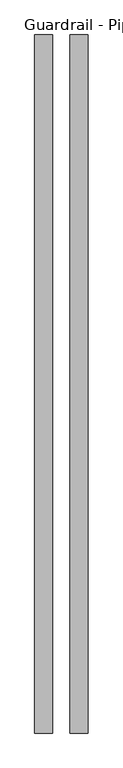
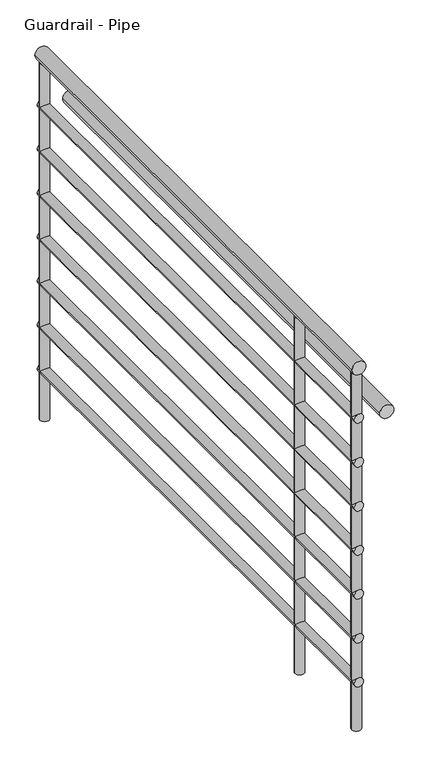
"""IFC4 building model written with IfcOpenShell, lengths in millimetres: railing geometry, Guardrail - Pipe."""

from ifc_helpers import new_model, si_unit, point, frame, frame_2d, origin, origin_with_axes, place, context, project, spatial, circle_curve, trimmed, segment, composite_curve, outline, extrude, source, transform, mapped, element, save


def guardrail_pipe_f1527d36(model_context):
    return source(origin(), model_context, "Body", "SweptSolid", [
        extrude(outline(composite_curve([segment(trimmed(circle_curve(frame_2d((1047.75, -3808.7965986)), 19.05), [point((1047.75, -3789.7465986))], [point((1047.75, -3827.8465986))], False, "CARTESIAN"), True, "CONTINUOUS"), segment(trimmed(circle_curve(frame_2d((1047.75, -3808.7965986)), 19.05), [point((1047.75, -3827.8465986))], [point((1047.75, -3789.7465986))], False, "CARTESIAN"), True, "CONTINUOUS")], self_intersect=False)), frame((0.0, 7517.2058469, 0.0), z_axis=(0.0, 1.0, 0.0), x_axis=(0.0, 0.0, 1.0)), (0.0, 0.0, 1.0), 1500.0),
        extrude(outline(composite_curve([segment(trimmed(circle_curve(frame_2d((901.7, -3808.7965986)), 12.7), [point((901.7, -3796.0965986))], [point((901.7, -3821.4965986))], False, "CARTESIAN"), True, "CONTINUOUS"), segment(trimmed(circle_curve(frame_2d((901.7, -3808.7965986)), 12.7), [point((901.7, -3821.4965986))], [point((901.7, -3796.0965986))], False, "CARTESIAN"), True, "CONTINUOUS")], self_intersect=False)), frame((0.0, 7517.2058469, 0.0), z_axis=(0.0, 1.0, 0.0), x_axis=(0.0, 0.0, 1.0)), (0.0, 0.0, 1.0), 1500.0),
        extrude(outline(composite_curve([segment(trimmed(circle_curve(frame_2d((895.35, -3732.5965986)), 19.05), [point((895.35, -3713.5465986))], [point((895.35, -3751.6465986))], False, "CARTESIAN"), True, "CONTINUOUS"), segment(trimmed(circle_curve(frame_2d((895.35, -3732.5965986)), 19.05), [point((895.35, -3751.6465986))], [point((895.35, -3713.5465986))], False, "CARTESIAN"), True, "CONTINUOUS")], self_intersect=False)), frame((0.0, 7517.2058469, 0.0), z_axis=(0.0, 1.0, 0.0), x_axis=(0.0, 0.0, 1.0)), (0.0, 0.0, 1.0), 1500.0),
        extrude(outline(composite_curve([segment(trimmed(circle_curve(frame_2d((774.7, -3808.7965986)), 12.7), [point((774.7, -3796.0965986))], [point((774.7, -3821.4965986))], False, "CARTESIAN"), True, "CONTINUOUS"), segment(trimmed(circle_curve(frame_2d((774.7, -3808.7965986)), 12.7), [point((774.7, -3821.4965986))], [point((774.7, -3796.0965986))], False, "CARTESIAN"), True, "CONTINUOUS")], self_intersect=False)), frame((0.0, 7517.2058469, 0.0), z_axis=(0.0, 1.0, 0.0), x_axis=(0.0, 0.0, 1.0)), (0.0, 0.0, 1.0), 1500.0),
        extrude(outline(composite_curve([segment(trimmed(circle_curve(frame_2d((647.7, -3808.7965986)), 12.7), [point((647.7, -3796.0965986))], [point((647.7, -3821.4965986))], False, "CARTESIAN"), True, "CONTINUOUS"), segment(trimmed(circle_curve(frame_2d((647.7, -3808.7965986)), 12.7), [point((647.7, -3821.4965986))], [point((647.7, -3796.0965986))], False, "CARTESIAN"), True, "CONTINUOUS")], self_intersect=False)), frame((0.0, 7517.2058469, 0.0), z_axis=(0.0, 1.0, 0.0), x_axis=(0.0, 0.0, 1.0)), (0.0, 0.0, 1.0), 1500.0),
        extrude(outline(composite_curve([segment(trimmed(circle_curve(frame_2d((520.7, -3808.7965986)), 12.7), [point((520.7, -3796.0965986))], [point((520.7, -3821.4965986))], False, "CARTESIAN"), True, "CONTINUOUS"), segment(trimmed(circle_curve(frame_2d((520.7, -3808.7965986)), 12.7), [point((520.7, -3821.4965986))], [point((520.7, -3796.0965986))], False, "CARTESIAN"), True, "CONTINUOUS")], self_intersect=False)), frame((0.0, 7517.2058469, 0.0), z_axis=(0.0, 1.0, 0.0), x_axis=(0.0, 0.0, 1.0)), (0.0, 0.0, 1.0), 1500.0),
        extrude(outline(composite_curve([segment(trimmed(circle_curve(frame_2d((393.7, -3808.7965986)), 12.7), [point((393.7, -3796.0965986))], [point((393.7, -3821.4965986))], False, "CARTESIAN"), True, "CONTINUOUS"), segment(trimmed(circle_curve(frame_2d((393.7, -3808.7965986)), 12.7), [point((393.7, -3821.4965986))], [point((393.7, -3796.0965986))], False, "CARTESIAN"), True, "CONTINUOUS")], self_intersect=False)), frame((0.0, 7517.2058469, 0.0), z_axis=(0.0, 1.0, 0.0), x_axis=(0.0, 0.0, 1.0)), (0.0, 0.0, 1.0), 1500.0),
        extrude(outline(composite_curve([segment(trimmed(circle_curve(frame_2d((266.7, -3808.7965986)), 12.7), [point((266.7, -3796.0965986))], [point((266.7, -3821.4965986))], False, "CARTESIAN"), True, "CONTINUOUS"), segment(trimmed(circle_curve(frame_2d((266.7, -3808.7965986)), 12.7), [point((266.7, -3821.4965986))], [point((266.7, -3796.0965986))], False, "CARTESIAN"), True, "CONTINUOUS")], self_intersect=False)), frame((0.0, 7517.2058469, 0.0), z_axis=(0.0, 1.0, 0.0), x_axis=(0.0, 0.0, 1.0)), (0.0, 0.0, 1.0), 1500.0),
        extrude(outline(composite_curve([segment(trimmed(circle_curve(frame_2d((139.7, -3808.7965986)), 12.7), [point((139.7, -3796.0965986))], [point((139.7, -3821.4965986))], False, "CARTESIAN"), True, "CONTINUOUS"), segment(trimmed(circle_curve(frame_2d((139.7, -3808.7965986)), 12.7), [point((139.7, -3821.4965986))], [point((139.7, -3796.0965986))], False, "CARTESIAN"), True, "CONTINUOUS")], self_intersect=False)), frame((0.0, 7517.2058469, 0.0), z_axis=(0.0, 1.0, 0.0), x_axis=(0.0, 0.0, 1.0)), (0.0, 0.0, 1.0), 1500.0),
        extrude(outline(composite_curve([segment(trimmed(circle_curve(frame_2d((-3808.7965986, 7798.0058469)), 12.7), [point((-3796.0965986, 7798.0058469))], [point((-3821.4965986, 7798.0058469))], False, "CARTESIAN"), True, "CONTINUOUS"), segment(trimmed(circle_curve(frame_2d((-3808.7965986, 7798.0058469)), 12.7), [point((-3821.4965986, 7798.0058469))], [point((-3796.0965986, 7798.0058469))], False, "CARTESIAN"), True, "CONTINUOUS")], self_intersect=False)), origin_with_axes(), (0.0, 0.0, 1.0), 1028.7),
        extrude(outline(composite_curve([segment(trimmed(circle_curve(frame_2d((-3808.7965986, 7529.9058469)), 12.7), [point((-3796.0965986, 7529.9058469))], [point((-3821.4965986, 7529.9058469))], False, "CARTESIAN"), True, "CONTINUOUS"), segment(trimmed(circle_curve(frame_2d((-3808.7965986, 7529.9058469)), 12.7), [point((-3821.4965986, 7529.9058469))], [point((-3796.0965986, 7529.9058469))], False, "CARTESIAN"), True, "CONTINUOUS")], self_intersect=False)), origin_with_axes(), (0.0, 0.0, 1.0), 1028.7),
        extrude(outline(composite_curve([segment(trimmed(circle_curve(frame_2d((-3808.7965986, 9004.5058469)), 12.7), [point((-3796.0965986, 9004.5058469))], [point((-3821.4965986, 9004.5058469))], False, "CARTESIAN"), True, "CONTINUOUS"), segment(trimmed(circle_curve(frame_2d((-3808.7965986, 9004.5058469)), 12.7), [point((-3821.4965986, 9004.5058469))], [point((-3796.0965986, 9004.5058469))], False, "CARTESIAN"), True, "CONTINUOUS")], self_intersect=False)), origin_with_axes(), (0.0, 0.0, 1.0), 1028.7),
    ])


if __name__ == "__main__":
    model = new_model("IFC4")
    model_context = context("Model", 3, world=origin())
    ifc_project = project(units=[si_unit("LENGTHUNIT", "METRE", prefix="MILLI")], contexts=[model_context])
    site = spatial("IfcSite", under=ifc_project)
    building = spatial("IfcBuilding", under=site)
    placement = place(None, origin())
    guardrail_pipe_shape = guardrail_pipe_f1527d36(model_context)
    element("IfcRailing", 1, ObjectType="Guardrail - Pipe", at=placement, inside=building, context=model_context, shape_type="MappedRepresentation", body=[
        mapped(guardrail_pipe_shape, transform((0.0, 0.0, 0.0), x_axis=(1.0, 0.0, 0.0), y_axis=(0.0, 1.0, 0.0), z_axis=(0.0, 0.0, 1.0))),
    ])
    save(model, "model.ifc")
